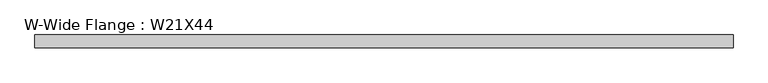
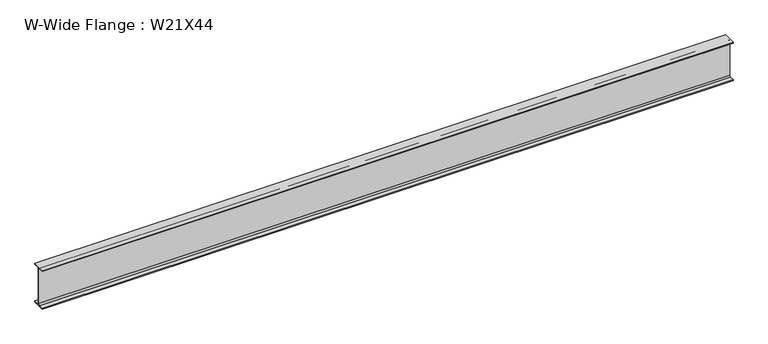
"""IFC4 building model written with IfcOpenShell, lengths in millimetres: beam geometry, W-Wide Flange : W21X44."""

import ifcopenshell
import ifcopenshell.guid

model = None  # the IFC model being written
_history = None  # IfcOwnerHistory: only IFC2X3 demands one
_inside = {}  # id of a spatial element -> (the spatial element, [elements in it])
_under = {}  # id of a project, library or spatial element -> (it, [spatial elements below it])
_declared = {}  # id of a project -> (the project, [libraries it declares])
_typed = {}  # id of a type object -> (the type object, [elements of that type])
_made_of = {}  # id of a material, layer set ... -> (it, [elements and type objects made of it])


def new_model(schema):
    """Start an empty IFC model of exactly this schema.

    Asked for "IFC4X3", IfcOpenShell would pick the latest addendum, in which some entities
    have other attributes; the version numbers below select the first issue.
    IFC2X3 requires an IfcOwnerHistory on every rooted entity: one is made here for all.
    """
    global model, _history
    if schema == "IFC4X3":
        model = ifcopenshell.file(schema_version=(4, 3, 0, 0))
    else:
        model = ifcopenshell.file(schema=schema)
    _inside.clear()
    _under.clear()
    _declared.clear()
    _typed.clear()
    _made_of.clear()
    _history = None
    if model.schema == "IFC2X3":
        org = make("IfcOrganization", Name="unknown")
        user = make(
            "IfcPersonAndOrganization",
            ThePerson=make("IfcPerson", FamilyName="unknown"),
            TheOrganization=org,
        )
        app = make(
            "IfcApplication",
            ApplicationDeveloper=org,
            Version="unknown",
            ApplicationFullName="unknown",
            ApplicationIdentifier="unknown",
        )
        _history = make(
            "IfcOwnerHistory",
            OwningUser=user,
            OwningApplication=app,
            ChangeAction="ADDED",
            CreationDate=0,
        )
    return model


def make(cls, **values):
    """One entity of the class cls with the attributes given. An attribute that is None is left unset."""
    return model.create_entity(
        cls, **{name: value for name, value in values.items() if value is not None}
    )


def rooted(cls, **values):
    """An entity with a GlobalId (a new one), such as an element, a storey or a relation."""
    return make(cls, GlobalId=ifcopenshell.guid.new(), OwnerHistory=_history, **values)


def si_unit(unit_type, name, prefix=None):
    """IfcSIUnit, for example si_unit("LENGTHUNIT", "METRE", prefix="MILLI")."""
    return make("IfcSIUnit", UnitType=unit_type, Prefix=prefix, Name=name)


def assignment(units):
    """IfcUnitAssignment: the units of a project."""
    return None if units is None else make("IfcUnitAssignment", Units=units)


def point(xyz):
    """IfcCartesianPoint."""
    return None if xyz is None else make("IfcCartesianPoint", Coordinates=xyz)


def direction(xyz):
    """IfcDirection."""
    return None if xyz is None else make("IfcDirection", DirectionRatios=xyz)


def frame(location, z_axis=None, x_axis=None):
    """IfcAxis2Placement3D, a coordinate frame: its origin and axes. An axis left out is left unset."""
    return make(
        "IfcAxis2Placement3D",
        Location=point(location),
        Axis=direction(z_axis),
        RefDirection=direction(x_axis),
    )


def frame_2d(location, x_axis=None):
    """IfcAxis2Placement2D, a coordinate frame in the plane: its origin and x axis."""
    return make(
        "IfcAxis2Placement2D", Location=point(location), RefDirection=direction(x_axis)
    )


def origin():
    """The frame at (0, 0, 0) with its axes left unset."""
    return frame((0.0, 0.0, 0.0))


def place(relative_to, where):
    """IfcLocalPlacement: puts the frame where relative to a parent placement (None: the world)."""
    return make(
        "IfcLocalPlacement", PlacementRelTo=relative_to, RelativePlacement=where
    )


def context(
    kind, dimensions, precision=None, world=None, true_north=None, identifier=None
):
    """IfcGeometricRepresentationContext, for example the 3D "Model" context."""
    return make(
        "IfcGeometricRepresentationContext",
        ContextIdentifier=identifier,
        ContextType=kind,
        CoordinateSpaceDimension=dimensions,
        Precision=precision,
        WorldCoordinateSystem=world,
        TrueNorth=true_north,
    )


def project(units=None, contexts=None):
    """IfcProject with its units and contexts."""
    return rooted(
        "IfcProject",
        Name="project",
        RepresentationContexts=contexts,
        UnitsInContext=assignment(units),
    )


def spatial(cls, under=None, at=None, **own):
    """A site, building, storey or space (cls), placed at a placement, below another one or the project."""
    s = rooted(cls, ObjectPlacement=at, **own)
    if under is not None:
        _under.setdefault(under.id(), (under, []))[1].append(s)
    return s


def polyline(points):
    """IfcPolyline through the points."""
    return make("IfcPolyline", Points=[point(p) for p in points])


def circle_curve(where, radius):
    """IfcCircle in the frame where."""
    return make("IfcCircle", Position=where, Radius=radius)


def trimmed(basis, trim1, trim2, sense, master):
    """IfcTrimmedCurve: the piece of a basis curve between two trims."""
    return make(
        "IfcTrimmedCurve",
        BasisCurve=basis,
        Trim1=trim1,
        Trim2=trim2,
        SenseAgreement=sense,
        MasterRepresentation=master,
    )


def segment(curve, same_sense, transition):
    """IfcCompositeCurveSegment."""
    return make(
        "IfcCompositeCurveSegment",
        Transition=transition,
        SameSense=same_sense,
        ParentCurve=curve,
    )


def composite_curve(segments, self_intersect=None):
    """IfcCompositeCurve: segments joined end to end."""
    return make("IfcCompositeCurve", Segments=segments, SelfIntersect=self_intersect)


def outline(outer, holes=None, kind="AREA"):
    """IfcArbitraryClosedProfileDef: a profile drawn as a closed curve; with holes, ...WithVoids."""
    if holes is None:
        return make("IfcArbitraryClosedProfileDef", ProfileType=kind, OuterCurve=outer)
    return make(
        "IfcArbitraryProfileDefWithVoids",
        ProfileType=kind,
        OuterCurve=outer,
        InnerCurves=holes,
    )


def extrude(swept, where, along, depth):
    """IfcExtrudedAreaSolid: the profile swept, set in the frame where, extruded along a direction by depth."""
    return make(
        "IfcExtrudedAreaSolid",
        SweptArea=swept,
        Position=where,
        ExtrudedDirection=direction(along),
        Depth=depth,
    )


def shape(context_of_items, identifier, shape_type, items):
    """IfcShapeRepresentation: the items that make up one representation, for example the "Body"."""
    return make(
        "IfcShapeRepresentation",
        ContextOfItems=context_of_items,
        RepresentationIdentifier=identifier,
        RepresentationType=shape_type,
        Items=items,
    )


def source(mapping_origin, context_of_items, identifier, shape_type, items):
    """IfcRepresentationMap: a shape defined once, which mapped items show again and again."""
    return make(
        "IfcRepresentationMap",
        MappingOrigin=mapping_origin,
        MappedRepresentation=shape(context_of_items, identifier, shape_type, items),
    )


def transform(
    local_origin,
    x_axis=None,
    y_axis=None,
    z_axis=None,
    scale=None,
    scale2=None,
    scale3=None,
    uniform=True,
):
    """IfcCartesianTransformationOperator3D, or its non-uniform kind. x_axis, y_axis, z_axis: its Axis1, 2, 3."""
    if uniform:
        return make(
            "IfcCartesianTransformationOperator3D",
            Axis1=direction(x_axis),
            Axis2=direction(y_axis),
            LocalOrigin=point(local_origin),
            Scale=scale,
            Axis3=direction(z_axis),
        )
    return make(
        "IfcCartesianTransformationOperator3DnonUniform",
        Axis1=direction(x_axis),
        Axis2=direction(y_axis),
        LocalOrigin=point(local_origin),
        Scale=scale,
        Axis3=direction(z_axis),
        Scale2=scale2,
        Scale3=scale3,
    )


def mapped(mapping_source, mapping_target):
    """IfcMappedItem: shows the shape of a source again, moved by a transform."""
    return make(
        "IfcMappedItem", MappingSource=mapping_source, MappingTarget=mapping_target
    )


def made_of(thing, what):
    """Note that an element or type object is made of a material, layer set ...; save() writes the relation."""
    if what is not None:
        _made_of.setdefault(what.id(), (what, []))[1].append(thing)
    return thing


def element(
    cls,
    number,
    at=None,
    inside=None,
    cuts=None,
    type_object=None,
    material=None,
    context=None,
    identifier="Body",
    shape_type=None,
    held_by="IfcProductDefinitionShape",
    body=None,
    shapes=None,
    **own,
):
    """One element of the class cls, such as IfcWall. Its Tag is "e" and its number.

    at: its placement. inside: the storey or other place that contains it. cuts: it is an
    opening in that element (IfcRelVoidsElement). A single representation is given by context,
    identifier, shape_type and body (its items); several are given by shapes. held_by: the class
    of the entity that holds the representations. save() writes the other relations.
    """
    e = rooted(cls, Tag="e%d" % number, ObjectPlacement=at, **own)
    if body is not None:
        shapes = [shape(context, identifier, shape_type, body)]
    if shapes is not None:
        e.Representation = make(held_by, Representations=shapes)
    if inside is not None:
        _inside.setdefault(inside.id(), (inside, []))[1].append(e)
    if cuts is not None:
        rooted(
            "IfcRelVoidsElement", RelatingBuildingElement=cuts, RelatedOpeningElement=e
        )
    if type_object is not None:
        _typed.setdefault(type_object.id(), (type_object, []))[1].append(e)
    return made_of(e, material)


def aggregate(whole, parts):
    """IfcRelAggregates: a whole, such as a stair, and the parts it consists of."""
    return rooted("IfcRelAggregates", RelatingObject=whole, RelatedObjects=parts)


def save(model, path):
    """Write the relations noted so far, then the file.

    IfcRelAggregates (storeys below a building ...), IfcRelContainedInSpatialStructure (elements
    in a storey), IfcRelDefinesByType, IfcRelAssociatesMaterial and IfcRelDeclares: one each for
    every whole, place, type object, material and project.
    """
    for whole, parts in _under.values():
        aggregate(whole, parts)
    for where, things in _inside.values():
        rooted(
            "IfcRelContainedInSpatialStructure",
            RelatedElements=things,
            RelatingStructure=where,
        )
    for kind, things in _typed.values():
        rooted("IfcRelDefinesByType", RelatedObjects=things, RelatingType=kind)
    for what, things in _made_of.values():
        rooted("IfcRelAssociatesMaterial", RelatedObjects=things, RelatingMaterial=what)
    for by, libraries in _declared.values():
        rooted("IfcRelDeclares", RelatingContext=by, RelatedDefinitions=libraries)
    model.write(path)


def w_wide_flange_w21x44_337f51e3(model_context):
    return source(origin(), model_context, "Body", "SweptSolid", [
        extrude(outline(composite_curve([segment(polyline([(82.55, -251.4699219), (82.55, -262.8800781), (-82.55, -262.8800781), (-82.55, -251.4699219), (-21.6296875, -251.4699219)]), True, "CONTINUOUS"), segment(trimmed(circle_curve(frame_2d((-21.6296875, -234.3050781)), 17.1648437), [point((-21.6296875, -251.4699219))], [point((-4.4648438, -234.3050781))], True, "CARTESIAN"), True, "CONTINUOUS"), segment(polyline([(-4.4648438, -234.3050781), (-4.4648438, 234.3050781)]), True, "CONTINUOUS"), segment(trimmed(circle_curve(frame_2d((-21.6296875, 234.3050781)), 17.1648437), [point((-4.4648438, 234.3050781))], [point((-21.6296875, 251.4699219))], True, "CARTESIAN"), True, "CONTINUOUS"), segment(polyline([(-21.6296875, 251.4699219), (-82.55, 251.4699219), (-82.55, 262.8800781), (82.55, 262.8800781), (82.55, 251.4699219), (21.6296875, 251.4699219)]), True, "CONTINUOUS"), segment(trimmed(circle_curve(frame_2d((21.6296875, 234.3050781)), 17.1648437), [point((21.6296875, 251.4699219))], [point((4.4648437, 234.3050781))], True, "CARTESIAN"), True, "CONTINUOUS"), segment(polyline([(4.4648437, 234.3050781), (4.4648437, -234.3050781)]), True, "CONTINUOUS"), segment(trimmed(circle_curve(frame_2d((21.6296875, -234.3050781)), 17.1648437), [point((4.4648437, -234.3050781))], [point((21.6296875, -251.4699219))], True, "CARTESIAN"), True, "CONTINUOUS"), segment(polyline([(21.6296875, -251.4699219), (82.55, -251.4699219)]), True, "CONTINUOUS")], self_intersect=False)), frame((-4455.1699219, 0.0, 0.0), z_axis=(1.0, 0.0, 0.0), x_axis=(0.0, 1.0, 0.0)), (0.0, 0.0, 1.0), 8911.5800781),
    ])


if __name__ == "__main__":
    model = new_model("IFC4")
    model_context = context("Model", 3, world=origin())
    ifc_project = project(units=[si_unit("LENGTHUNIT", "METRE", prefix="MILLI")], contexts=[model_context])
    site = spatial("IfcSite", under=ifc_project)
    building = spatial("IfcBuilding", under=site)
    placement = place(None, origin())
    w_wide_flange_w21x44_shape = w_wide_flange_w21x44_337f51e3(model_context)
    element("IfcBeam", 1, ObjectType="W-Wide Flange : W21X44", at=placement, inside=building, context=model_context, shape_type="MappedRepresentation", body=[
        mapped(w_wide_flange_w21x44_shape, transform((0.0, 0.0, 0.0), x_axis=(1.0, 0.0, 0.0), y_axis=(0.0, 1.0, 0.0), z_axis=(0.0, 0.0, 1.0))),
    ])
    save(model, "model.ifc")
